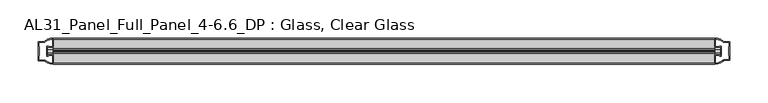
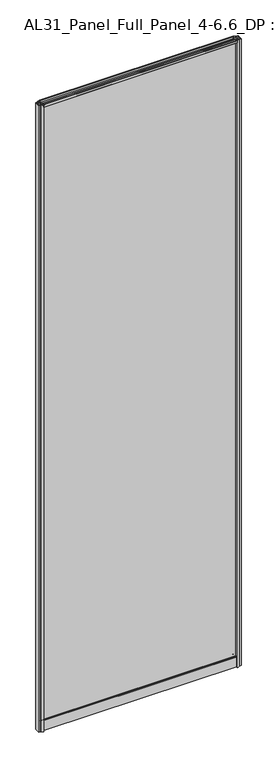
"""IFC4 building model written with IfcOpenShell, lengths in millimetres: plate geometry, AL31_Panel_Full_Panel_4-6.6_DP : Glass, Clear Glass."""

from ifc_helpers import new_model, si_unit, point, frame, frame_2d, origin, origin_with_axes, place, context, project, spatial, polyline, circle_curve, trimmed, segment, composite_curve, outline, extrude, source, transform, mapped, element, save


def al31_panel_full_panel_4_6_6_dp_glass_clear_glass_dcb3d278(model_context):
    return source(origin(), model_context, "Body", "SweptSolid", [
        extrude(outline(composite_curve([segment(polyline([(18.457, 2964.4553688), (19.007, 2963.5027409)]), True, "CONTINUOUS"), segment(trimmed(circle_curve(frame_2d((19.957, 2961.8572926)), 1.9), [point((19.007, 2963.5027409))], [point((20.907, 2963.5027409))], True, "CARTESIAN"), True, "CONTINUOUS"), segment(polyline([(20.907, 2963.5027409), (21.457, 2964.4553688)]), True, "CONTINUOUS"), segment(trimmed(circle_curve(frame_2d((19.957, 2961.8572926)), 3.0), [point((21.457, 2964.4553688))], [point((22.4288414, 2960.1572926))], False, "CARTESIAN"), True, "CONTINUOUS"), segment(polyline([(22.4288414, 2960.1572926), (35.557, 2960.1572926), (35.557, 2969.5572926), (36.857, 2969.5572926), (36.857, 2959.0572926), (26.5594688, 2959.0572926), (26.5594688, 2958.2572926), (26.0538782, 2956.3357964), (26.0538782, 2951.6572926), (24.857, 2951.6572926), (24.857, 2956.9912672), (25.357, 2957.8572926), (25.357, 2959.0572926), (14.357, 2959.0572926), (14.357, 2957.8572926), (14.857, 2956.9912672), (14.857, 2951.6572926), (13.6601218, 2951.6572926), (13.6601218, 2956.3357964), (13.1545312, 2958.2572926), (13.1545312, 2959.0572926), (2.857, 2959.0572926), (2.857, 2969.5572926), (4.157, 2969.5572926), (4.157, 2960.1572926), (17.4851586, 2960.1572926)]), True, "CONTINUOUS"), segment(trimmed(circle_curve(frame_2d((19.957, 2961.8572926)), 3.0), [point((17.4851586, 2960.1572926))], [point((18.457, 2964.4553688))], False, "CARTESIAN"), True, "CONTINUOUS")], self_intersect=False)), frame((-433.75, 0.0, 0.0), z_axis=(1.0, 0.0, 0.0), x_axis=(0.0, 1.0, 0.0)), (0.0, 0.0, 1.0), 867.5),
        extrude(outline(composite_curve([segment(trimmed(circle_curve(frame_2d((11.457, 34.8)), 1.0), [point((11.457, 35.8))], [point((10.457, 34.8))], True, "CARTESIAN"), True, "CONTINUOUS"), segment(polyline([(10.457, 34.8), (10.457, 33.5), (14.8569697, 33.5), (14.8569697, 32.3), (10.457, 32.3), (10.457, 0.0), (9.257, 0.0), (9.257, 47.3)]), True, "CONTINUOUS"), segment(trimmed(circle_curve(frame_2d((11.257, 47.3)), 2.0), [point((9.257, 47.3))], [point((11.257, 49.3))], False, "CARTESIAN"), True, "CONTINUOUS"), segment(polyline([(11.257, 49.3), (14.857, 49.3), (14.857, 41.9), (24.857, 41.9), (24.857, 49.3), (28.457, 49.3)]), True, "CONTINUOUS"), segment(trimmed(circle_curve(frame_2d((28.457, 47.3)), 2.0), [point((28.457, 49.3))], [point((30.457, 47.3))], False, "CARTESIAN"), True, "CONTINUOUS"), segment(polyline([(30.457, 47.3), (30.457, 0.0), (29.257, 0.0), (29.257, 32.3), (24.8569697, 32.3), (24.8569697, 33.5), (29.257, 33.5), (29.257, 34.8)]), True, "CONTINUOUS"), segment(trimmed(circle_curve(frame_2d((28.257, 34.8)), 1.0), [point((29.257, 34.8))], [point((28.257, 35.8))], True, "CARTESIAN"), True, "CONTINUOUS"), segment(polyline([(28.257, 35.8), (11.457, 35.8)]), True, "CONTINUOUS")], self_intersect=False), holes=[composite_curve([segment(trimmed(circle_curve(frame_2d((25.3594688, 41.8)), 1.0), [point((26.3594688, 41.8))], [point((25.3594688, 40.8))], False, "CARTESIAN"), True, "CONTINUOUS"), segment(polyline([(25.3594688, 40.8), (22.6578965, 40.8), (22.6578965, 39.7274194), (21.6940508, 39.7274194)]), True, "CONTINUOUS"), segment(trimmed(circle_curve(frame_2d((19.857, 38.7)), 2.1048387), [point((21.6940508, 39.7274194))], [point((18.0199492, 39.7274194))], True, "CARTESIAN"), True, "CONTINUOUS"), segment(polyline([(18.0199492, 39.7274194), (17.0561035, 39.7274194), (17.0561035, 40.8), (14.3545312, 40.8)]), True, "CONTINUOUS"), segment(trimmed(circle_curve(frame_2d((14.3545312, 41.8)), 1.0), [point((14.3545312, 40.8))], [point((13.3545312, 41.8))], False, "CARTESIAN"), True, "CONTINUOUS"), segment(polyline([(13.3545312, 41.8), (13.3545312, 42.7)]), True, "CONTINUOUS"), segment(trimmed(circle_curve(frame_2d((14.5545312, 42.7)), 1.2), [point((13.3545312, 42.7))], [point((13.7371816, 43.5786009))], False, "CARTESIAN"), True, "CONTINUOUS"), segment(polyline([(13.7371816, 43.5786009), (13.7371816, 48.2), (11.457, 48.2)]), True, "CONTINUOUS"), segment(trimmed(circle_curve(frame_2d((11.457, 47.2)), 1.0), [point((11.457, 48.2))], [point((10.457, 47.2))], True, "CARTESIAN"), True, "CONTINUOUS"), segment(polyline([(10.457, 47.2), (10.457, 37.04), (17.0561035, 37.04), (17.0561035, 38.0725806), (18.0199492, 38.0725806)]), True, "CONTINUOUS"), segment(trimmed(circle_curve(frame_2d((19.857, 39.1)), 2.1048387), [point((18.0199492, 38.0725806))], [point((21.6940508, 38.0725806))], True, "CARTESIAN"), True, "CONTINUOUS"), segment(polyline([(21.6940508, 38.0725806), (22.6578965, 38.0725806), (22.6578965, 37.04), (29.257, 37.04), (29.257, 47.2)]), True, "CONTINUOUS"), segment(trimmed(circle_curve(frame_2d((28.257, 47.2)), 1.0), [point((29.257, 47.2))], [point((28.257, 48.2))], True, "CARTESIAN"), True, "CONTINUOUS"), segment(polyline([(28.257, 48.2), (25.9768184, 48.2), (25.9768184, 43.7786009)]), True, "CONTINUOUS"), segment(trimmed(circle_curve(frame_2d((25.1594688, 42.9)), 1.2), [point((25.9768184, 43.7786009))], [point((26.3594688, 42.9))], False, "CARTESIAN"), True, "CONTINUOUS"), segment(polyline([(26.3594688, 42.9), (26.3594688, 41.8)]), True, "CONTINUOUS")], self_intersect=False)]), frame((-433.75, 0.0, 0.0), z_axis=(1.0, 0.0, 0.0), x_axis=(0.0, 1.0, 0.0)), (0.0, 0.0, 1.0), 867.5),
        extrude(outline(composite_curve([segment(polyline([(-441.5914214, 25.757), (-441.5914214, 13.957), (-440.3914214, 13.957), (-440.3914214, 14.857), (-433.75, 14.857), (-433.75, 2.8566686)]), True, "CONTINUOUS"), segment(trimmed(circle_curve(frame_2d((-433.3853484, 22.8533441)), 20.0), [point((-433.75, 2.8566686))], [point((-445.1058352, 6.6474751))], False, "CARTESIAN"), True, "CONTINUOUS"), segment(polyline([(-445.1058352, 6.6474751), (-445.1058352, 7.4849343), (-453.75, 7.4849343), (-453.75, 32.1849343), (-445.1058352, 32.1849343), (-445.1058352, 33.0663388)]), True, "CONTINUOUS"), segment(trimmed(circle_curve(frame_2d((-433.3853484, 16.8604698)), 20.0), [point((-445.1058352, 33.0663388))], [point((-433.75, 36.8571453))], False, "CARTESIAN"), True, "CONTINUOUS"), segment(polyline([(-433.75, 36.8571453), (-433.75, 24.857), (-440.3914214, 24.857), (-440.3914214, 25.757), (-441.5914214, 25.757)]), True, "CONTINUOUS")], self_intersect=False), holes=[composite_curve([segment(polyline([(-440.5914214, 12.657), (-442.8914214, 12.657), (-442.8914214, 27.057), (-440.5914214, 27.057)]), True, "CONTINUOUS"), segment(trimmed(circle_curve(frame_2d((-440.5914214, 25.557)), 1.5), [point((-440.5914214, 27.057))], [point((-439.2162696, 26.1561308))], False, "CARTESIAN"), True, "CONTINUOUS"), segment(polyline([(-439.2162696, 26.1561308), (-435.4914214, 26.1561308), (-435.4914214, 30.7520916), (-435.0520815, 31.8127518), (-435.0520815, 35.4628503)]), True, "CONTINUOUS"), segment(trimmed(circle_curve(frame_2d((-433.3853484, 16.8372765)), 18.7), [point((-435.0520815, 35.4628503))], [point((-443.3921262, 32.6345673))], True, "CARTESIAN"), True, "CONTINUOUS"), segment(trimmed(circle_curve(frame_2d((-445.1914214, 32.6849343)), 1.8), [point((-443.3921262, 32.6345673))], [point((-445.1914214, 30.8849343))], False, "CARTESIAN"), True, "CONTINUOUS"), segment(polyline([(-445.1914214, 30.8849343), (-452.3914214, 30.8849343), (-452.3914214, 26.2449987), (-451.8914214, 25.2520916), (-451.8914214, 14.417777), (-452.3328427, 13.3550394), (-452.3328427, 8.7849343), (-445.1914214, 8.7849343)]), True, "CONTINUOUS"), segment(trimmed(circle_curve(frame_2d((-445.1914214, 6.9849343)), 1.8), [point((-445.1914214, 8.7849343))], [point((-443.3921262, 7.0353013))], False, "CARTESIAN"), True, "CONTINUOUS"), segment(trimmed(circle_curve(frame_2d((-433.3853484, 22.8325921)), 18.7), [point((-443.3921262, 7.0353013))], [point((-435.0520815, 4.2070183))], True, "CARTESIAN"), True, "CONTINUOUS"), segment(polyline([(-435.0520815, 4.2070183), (-435.0520815, 7.8571168), (-435.4914214, 8.917777), (-435.4914214, 13.5141269), (-439.2361671, 13.5141269)]), True, "CONTINUOUS"), segment(trimmed(circle_curve(frame_2d((-440.5914214, 14.157)), 1.5), [point((-439.2361671, 13.5141269))], [point((-440.5914214, 12.657))], False, "CARTESIAN"), True, "CONTINUOUS")], self_intersect=False)]), origin_with_axes(), (0.0, 0.0, 1.0), 2969.5572926),
        extrude(outline(composite_curve([segment(polyline([(441.5914214, 13.957), (441.5914214, 25.757), (440.3914214, 25.757), (440.3914214, 24.857), (433.75, 24.857), (433.75, 36.8573314)]), True, "CONTINUOUS"), segment(trimmed(circle_curve(frame_2d((433.3853484, 16.8606559)), 20.0), [point((433.75, 36.8573314))], [point((445.1058352, 33.0665249))], False, "CARTESIAN"), True, "CONTINUOUS"), segment(polyline([(445.1058352, 33.0665249), (445.1058352, 32.2290657), (453.75, 32.2290657), (453.75, 7.5290657), (445.1058352, 7.5290657), (445.1058352, 6.6476612)]), True, "CONTINUOUS"), segment(trimmed(circle_curve(frame_2d((433.3853484, 22.8535302)), 20.0), [point((445.1058352, 6.6476612))], [point((433.75, 2.8568547))], False, "CARTESIAN"), True, "CONTINUOUS"), segment(polyline([(433.75, 2.8568547), (433.75, 14.857), (440.3914214, 14.857), (440.3914214, 13.957), (441.5914214, 13.957)]), True, "CONTINUOUS")], self_intersect=False), holes=[composite_curve([segment(polyline([(440.5914214, 27.057), (442.8914214, 27.057), (442.8914214, 12.657), (440.5914214, 12.657)]), True, "CONTINUOUS"), segment(trimmed(circle_curve(frame_2d((440.5914214, 14.157)), 1.5), [point((440.5914214, 12.657))], [point((439.2162696, 13.5578692))], False, "CARTESIAN"), True, "CONTINUOUS"), segment(polyline([(439.2162696, 13.5578692), (435.4914214, 13.5578692), (435.4914214, 8.9619084), (435.0520815, 7.9012482), (435.0520815, 4.2511497)]), True, "CONTINUOUS"), segment(trimmed(circle_curve(frame_2d((433.3853484, 22.8767235)), 18.7), [point((435.0520815, 4.2511497))], [point((443.3921262, 7.0794327))], True, "CARTESIAN"), True, "CONTINUOUS"), segment(trimmed(circle_curve(frame_2d((445.1914214, 7.0290657)), 1.8), [point((443.3921262, 7.0794327))], [point((445.1914214, 8.8290657))], False, "CARTESIAN"), True, "CONTINUOUS"), segment(polyline([(445.1914214, 8.8290657), (452.3914214, 8.8290657), (452.3914214, 13.4690013), (451.8914214, 14.4619084), (451.8914214, 25.296223), (452.3328427, 26.3589606), (452.3328427, 30.9290657), (445.1914214, 30.9290657)]), True, "CONTINUOUS"), segment(trimmed(circle_curve(frame_2d((445.1914214, 32.7290657)), 1.8), [point((445.1914214, 30.9290657))], [point((443.3921262, 32.6786987))], False, "CARTESIAN"), True, "CONTINUOUS"), segment(trimmed(circle_curve(frame_2d((433.3853484, 16.8814079)), 18.7), [point((443.3921262, 32.6786987))], [point((435.0520815, 35.5069817))], True, "CARTESIAN"), True, "CONTINUOUS"), segment(polyline([(435.0520815, 35.5069817), (435.0520815, 31.8568832), (435.4914214, 30.796223), (435.4914214, 26.1998731), (439.2361671, 26.1998731)]), True, "CONTINUOUS"), segment(trimmed(circle_curve(frame_2d((440.5914214, 25.557)), 1.5), [point((439.2361671, 26.1998731))], [point((440.5914214, 27.057))], False, "CARTESIAN"), True, "CONTINUOUS")], self_intersect=False)]), origin_with_axes(), (0.0, 0.0, 1.0), 2969.5572926),
        extrude(outline(polyline([(441.5914214, 17.857), (-441.5914214, 17.857), (-441.5914214, 21.857), (441.5914214, 21.857), (441.5914214, 17.857)])), frame((0.0, 0.0, 41.9), z_axis=(0.0, 0.0, 1.0), x_axis=(1.0, 0.0, 0.0)), (0.0, 0.0, 1.0), 2917.1572926),
    ])


if __name__ == "__main__":
    model = new_model("IFC4")
    model_context = context("Model", 3, world=origin())
    ifc_project = project(units=[si_unit("LENGTHUNIT", "METRE", prefix="MILLI")], contexts=[model_context])
    site = spatial("IfcSite", under=ifc_project)
    building = spatial("IfcBuilding", under=site)
    placement = place(None, origin())
    al31_panel_full_panel_4_6_6_dp_glass_clear_glass_shape = al31_panel_full_panel_4_6_6_dp_glass_clear_glass_dcb3d278(model_context)
    element("IfcPlate", 1, ObjectType="AL31_Panel_Full_Panel_4-6.6_DP : Glass, Clear Glass", at=placement, inside=building, context=model_context, shape_type="MappedRepresentation", body=[
        mapped(al31_panel_full_panel_4_6_6_dp_glass_clear_glass_shape, transform((0.0, 0.0, 0.0), x_axis=(1.0, 0.0, 0.0), y_axis=(0.0, 1.0, 0.0), z_axis=(0.0, 0.0, 1.0))),
    ])
    save(model, "model.ifc")
